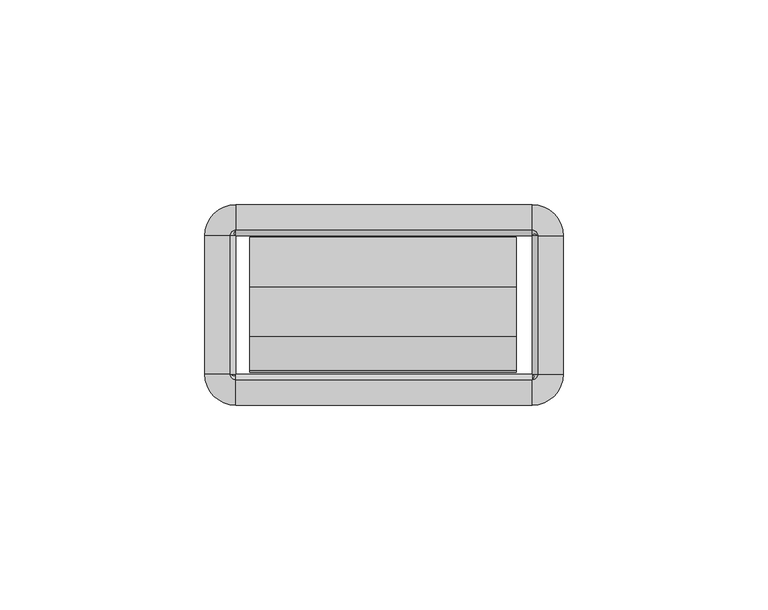
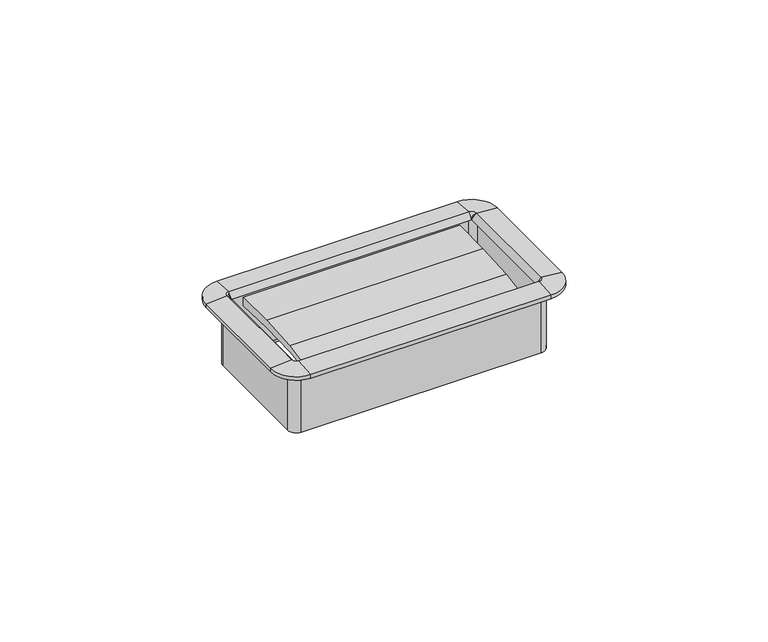
"""IFC4 building model written with IfcOpenShell, lengths in millimetres: furniture geometry."""

from ifc_helpers import new_model, si_unit, frame, origin, place, context, project, spatial, polyline, circle_curve, outline, extrude, source, transform, mapped, element, save
from ifc_brep_helpers import plane_surface, cylinder_surface, revolved_surface, advanced_brep


def furniture_af1e3ff0(model_context):
    return source(origin(), model_context, "Body", "SolidModel", [
        extrude(outline(polyline([(-27.4015977, 689.2213463), (-35.841251, 688.1577762), (-35.4230807, 689.5357243), (-27.1272776, 691.0747401), (-15.0207956, 691.8683076), (-2.8884162, 691.9134028), (-2.9633248, 689.1552515), (-15.1814712, 689.5542355), (-27.4015977, 689.2213463)])), frame((-32.8496732, 0.0, 0.0), z_axis=(1.0, 0.0, 0.0), x_axis=(0.0, 1.0, 0.0)), (0.0, 0.0, 1.0), 65.1763996),
        advanced_brep(
        [(37.8602578, -2.54, 692.15), (36.1704551, -0.8501974, 692.15), (36.1704551, -0.8501974, 673.3032), (37.8602578, -2.54, 673.3032), (37.5244377, -2.54, 693.8152454), (36.1704551, -1.1860174, 693.8152454), (36.1704551, -2.5172282, 692.15), (43.7913825, -2.54, 693.293), (36.1704551, 5.0809274, 693.293), (43.7913825, -2.54, 692.15), (36.1704551, 5.0809274, 692.15), (38.7104551, -2.54, 671.8299989), (36.1704551, 0.0, 671.8299989), (36.1704551, 0.0, 692.15), (38.7104551, -2.54, 692.15), (37.8602578, -36.2712, 673.3032), (37.8602578, -36.2712, 692.15), (36.1932269, -36.2712, 692.15), (37.5244377, -36.2712, 693.8152454), (43.7913825, -36.2712, 693.293), (43.7913825, -36.2712, 692.15), (38.7104551, -36.2712, 692.15), (38.7104551, -36.2712, 671.8299989), (36.1704551, -37.9610026, 692.15), (36.1704551, -37.9610026, 673.3032), (36.1704551, -37.6251826, 693.8152454), (36.1704551, -43.8921274, 693.293), (36.1704551, -43.8921274, 692.15), (36.1704551, -38.8112, 671.8299989), (36.1704551, -38.8112, 692.15), (-36.1687428, -37.9610026, 673.3032), (-36.1687428, -37.9610026, 692.15), (-36.1687428, -36.2939718, 692.15), (-36.1687428, -37.6251826, 693.8152454), (-36.1687428, -43.8921274, 693.293), (-36.1687428, -43.8921274, 692.15), (-36.1687428, -38.8112, 692.15), (-36.1687428, -38.8112, 671.8299989), (-37.8585455, -36.2712, 692.15), (-37.8585455, -36.2712, 673.3032), (-37.5227254, -36.2712, 693.8152454), (-43.7896702, -36.2712, 693.293), (-43.7896702, -36.2712, 692.15), (-38.7087428, -36.2712, 671.8299989), (-38.7087428, -36.2712, 692.15), (-37.8585455, -2.54, 673.3032), (-37.8585455, -2.54, 692.15), (-36.1915146, -2.54, 692.15), (-37.5227254, -2.54, 693.8152454), (-43.7896702, -2.54, 693.293), (-43.7896702, -2.54, 692.15), (-38.7087428, -2.54, 692.15), (-38.7087428, -2.54, 671.8299989), (-36.1687428, -0.8501974, 692.15), (-36.1687428, -0.8501974, 673.3032), (-36.1687428, -1.1860174, 693.8152454), (-36.1687428, 5.0809274, 693.293), (-36.1687428, 5.0809274, 692.15), (-36.1687428, 0.0, 671.8299989), (-36.1687428, 0.0, 692.15), (38.6519521, -2.54, 673.3032), (36.1704551, -0.058503, 673.3032), (38.6519521, -36.2712, 673.3032), (36.1704551, -38.752697, 673.3032), (-36.1687428, -38.752697, 673.3032), (-38.6502398, -36.2712, 673.3032), (-38.6502398, -2.54, 673.3032), (-36.1687428, -0.058503, 673.3032)],
        [
            (0, 1, circle_curve(frame((36.1704551, -2.54, 692.15), z_axis=(0.0, 0.0, 1.0), x_axis=(0.0, 1.0, 0.0)), 1.6898026)),
            (1, 2),
            (2, 3, circle_curve(frame((36.1704551, -2.54, 673.3032), z_axis=(0.0, 0.0, -1.0), x_axis=(0.0, 1.0, 0.0)), 1.6898026)),
            (3, 0),
            (4, 5, circle_curve(frame((36.1704551, -2.54, 693.8152454), z_axis=(0.0, 0.0, 1.0), x_axis=(0.0, 1.0, 0.0)), 1.3539826)),
            (5, 6),
            (6, 4),
            (7, 8, circle_curve(frame((36.1704551, -2.54, 693.293), z_axis=(0.0, 0.0, 1.0), x_axis=(0.0, 1.0, 0.0)), 7.6209274)),
            (8, 5),
            (4, 7),
            (9, 10, circle_curve(frame((36.1704551, -2.54, 692.15), z_axis=(0.0, 0.0, 1.0), x_axis=(0.0, 1.0, 0.0)), 7.6209274)),
            (10, 8),
            (7, 9),
            (11, 12, circle_curve(frame((36.1704551, -2.54, 671.8299989), z_axis=(0.0, 0.0, 1.0), x_axis=(0.0, 1.0, 0.0)), 2.54)),
            (12, 13),
            (13, 14, circle_curve(frame((36.1704551, -2.54, 692.15), z_axis=(0.0, 0.0, -1.0), x_axis=(0.0, 1.0, 0.0)), 2.54)),
            (14, 11),
            (3, 15),
            (15, 16),
            (16, 0),
            (6, 17),
            (17, 18),
            (18, 4),
            (18, 19),
            (19, 7),
            (19, 20),
            (20, 9),
            (14, 21),
            (21, 22),
            (22, 11),
            (23, 16, circle_curve(frame((36.1704551, -36.2712, 692.15), z_axis=(0.0, 0.0, 1.0), x_axis=(1.0, 0.0, 0.0)), 1.6898026)),
            (15, 24, circle_curve(frame((36.1704551, -36.2712, 673.3032), z_axis=(0.0, 0.0, -1.0), x_axis=(1.0, 0.0, 0.0)), 1.6898026)),
            (24, 23),
            (25, 18, circle_curve(frame((36.1704551, -36.2712, 693.8152454), z_axis=(0.0, 0.0, 1.0), x_axis=(1.0, 0.0, 0.0)), 1.3539826)),
            (17, 25),
            (26, 19, circle_curve(frame((36.1704551, -36.2712, 693.293), z_axis=(0.0, 0.0, 1.0), x_axis=(1.0, 0.0, 0.0)), 7.6209274)),
            (25, 26),
            (27, 20, circle_curve(frame((36.1704551, -36.2712, 692.15), z_axis=(0.0, 0.0, 1.0), x_axis=(1.0, 0.0, 0.0)), 7.6209274)),
            (26, 27),
            (28, 22, circle_curve(frame((36.1704551, -36.2712, 671.8299989), z_axis=(0.0, 0.0, 1.0), x_axis=(1.0, 0.0, 0.0)), 2.54)),
            (21, 29, circle_curve(frame((36.1704551, -36.2712, 692.15), z_axis=(0.0, 0.0, -1.0), x_axis=(1.0, 0.0, 0.0)), 2.54)),
            (29, 28),
            (24, 30),
            (30, 31),
            (31, 23),
            (17, 32),
            (32, 33),
            (33, 25),
            (33, 34),
            (34, 26),
            (34, 35),
            (35, 27),
            (29, 36),
            (36, 37),
            (37, 28),
            (38, 31, circle_curve(frame((-36.1687428, -36.2712, 692.15), z_axis=(0.0, 0.0, 1.0), x_axis=(0.0, -1.0, 0.0)), 1.6898026)),
            (30, 39, circle_curve(frame((-36.1687428, -36.2712, 673.3032), z_axis=(0.0, 0.0, -1.0), x_axis=(0.0, -1.0, 0.0)), 1.6898026)),
            (39, 38),
            (40, 33, circle_curve(frame((-36.1687428, -36.2712, 693.8152454), z_axis=(0.0, 0.0, 1.0), x_axis=(0.0, -1.0, 0.0)), 1.3539826)),
            (32, 40),
            (41, 34, circle_curve(frame((-36.1687428, -36.2712, 693.293), z_axis=(0.0, 0.0, 1.0), x_axis=(0.0, -1.0, 0.0)), 7.6209274)),
            (40, 41),
            (42, 35, circle_curve(frame((-36.1687428, -36.2712, 692.15), z_axis=(0.0, 0.0, 1.0), x_axis=(0.0, -1.0, 0.0)), 7.6209274)),
            (41, 42),
            (43, 37, circle_curve(frame((-36.1687428, -36.2712, 671.8299989), z_axis=(0.0, 0.0, 1.0), x_axis=(0.0, -1.0, 0.0)), 2.54)),
            (36, 44, circle_curve(frame((-36.1687428, -36.2712, 692.15), z_axis=(0.0, 0.0, -1.0), x_axis=(0.0, -1.0, 0.0)), 2.54)),
            (44, 43),
            (39, 45),
            (45, 46),
            (46, 38),
            (32, 47),
            (47, 48),
            (48, 40),
            (48, 49),
            (49, 41),
            (49, 50),
            (50, 42),
            (44, 51),
            (51, 52),
            (52, 43),
            (53, 46, circle_curve(frame((-36.1687428, -2.54, 692.15), z_axis=(0.0, 0.0, 1.0), x_axis=(-1.0, 0.0, 0.0)), 1.6898026)),
            (45, 54, circle_curve(frame((-36.1687428, -2.54, 673.3032), z_axis=(0.0, 0.0, -1.0), x_axis=(-1.0, 0.0, 0.0)), 1.6898026)),
            (54, 53),
            (55, 48, circle_curve(frame((-36.1687428, -2.54, 693.8152454), z_axis=(0.0, 0.0, 1.0), x_axis=(-1.0, 0.0, 0.0)), 1.3539826)),
            (47, 55),
            (56, 49, circle_curve(frame((-36.1687428, -2.54, 693.293), z_axis=(0.0, 0.0, 1.0), x_axis=(-1.0, 0.0, 0.0)), 7.6209274)),
            (55, 56),
            (57, 50, circle_curve(frame((-36.1687428, -2.54, 692.15), z_axis=(0.0, 0.0, 1.0), x_axis=(-1.0, 0.0, 0.0)), 7.6209274)),
            (56, 57),
            (58, 52, circle_curve(frame((-36.1687428, -2.54, 671.8299989), z_axis=(0.0, 0.0, 1.0), x_axis=(-1.0, 0.0, 0.0)), 2.54)),
            (51, 59, circle_curve(frame((-36.1687428, -2.54, 692.15), z_axis=(0.0, 0.0, -1.0), x_axis=(-1.0, 0.0, 0.0)), 2.54)),
            (59, 58),
            (54, 2),
            (1, 53),
            (6, 47),
            (5, 55),
            (8, 56),
            (10, 57),
            (13, 59),
            (12, 58),
            (60, 61, circle_curve(frame((36.1704551, -2.54, 673.3032), z_axis=(0.0, 0.0, 1.0), x_axis=(0.0, 1.0, 0.0)), 2.481497)),
            (61, 12),
            (11, 60),
            (22, 62),
            (62, 60),
            (63, 62, circle_curve(frame((36.1704551, -36.2712, 673.3032), z_axis=(0.0, 0.0, 1.0), x_axis=(1.0, 0.0, 0.0)), 2.481497)),
            (28, 63),
            (37, 64),
            (64, 63),
            (65, 64, circle_curve(frame((-36.1687428, -36.2712, 673.3032), z_axis=(0.0, 0.0, 1.0), x_axis=(0.0, -1.0, 0.0)), 2.481497)),
            (43, 65),
            (52, 66),
            (66, 65),
            (67, 66, circle_curve(frame((-36.1687428, -2.54, 673.3032), z_axis=(0.0, 0.0, 1.0), x_axis=(-1.0, 0.0, 0.0)), 2.481497)),
            (58, 67),
            (61, 67),
        ],
        [
            revolved_surface(polyline([(36.1704551, -0.8501974000000001, 673.3032), (36.1704551, -0.8501974000000001, 692.15)]), (36.1704551, -2.54, 692.15), (0.0, 0.0, -1.0)),
            revolved_surface(polyline([(36.1704551, -2.5172282, 692.15), (36.1704551, -1.1860174, 693.8152454)]), (36.1704551, -2.54, 692.15), (0.0, 0.0, -1.0)),
            revolved_surface(polyline([(36.1704551, -1.1860174, 693.8152454), (36.1704551, 5.0809274, 693.293)]), (36.1704551, -2.54, 692.15), (0.0, 0.0, -1.0)),
            cylinder_surface(frame((36.1704551, -2.54, 692.15), z_axis=(0.0, 0.0, -1.0), x_axis=(0.0, 1.0, 0.0)), 7.6209274),
            cylinder_surface(frame((36.1704551, -2.54, 692.15), z_axis=(0.0, 0.0, -1.0), x_axis=(0.0, 1.0, 0.0)), 2.54),
            plane_surface(frame((37.8602578, -2.54, 673.3032), z_axis=(-1.0, 0.0, 0.0), x_axis=(0.0, -1.0, 0.0))),
            plane_surface(frame((36.1932269, -2.54, 692.15), z_axis=(-0.7810942622858547, 0.0, 0.6244131272035499), x_axis=(0.0, -1.0, 0.0))),
            plane_surface(frame((37.5244377, -2.54, 693.8152454), z_axis=(0.08304548081379862, 0.0, 0.9965457581648749), x_axis=(0.0, -1.0, 0.0))),
            plane_surface(frame((43.7913825, -2.54, 693.293), z_axis=(1.0, 0.0, 0.0), x_axis=(0.0, -1.0, 0.0))),
            plane_surface(frame((38.7104551, -2.54, 692.15), z_axis=(1.0, 0.0, 0.0), x_axis=(0.0, -1.0, 0.0))),
            revolved_surface(polyline([(37.8602577, -36.2712, 673.3032), (37.8602577, -36.2712, 692.15)]), (36.1704551, -36.2712, 692.15), (0.0, 0.0, -1.0)),
            revolved_surface(polyline([(36.1932269, -36.2712, 692.15), (37.5244377, -36.2712, 693.8152454)]), (36.1704551, -36.2712, 692.15), (0.0, 0.0, -1.0)),
            revolved_surface(polyline([(37.5244377, -36.2712, 693.8152454), (43.7913825, -36.2712, 693.293)]), (36.1704551, -36.2712, 692.15), (0.0, 0.0, -1.0)),
            cylinder_surface(frame((36.1704551, -36.2712, 692.15), z_axis=(0.0, 0.0, -1.0), x_axis=(1.0, 0.0, 0.0)), 7.6209274),
            cylinder_surface(frame((36.1704551, -36.2712, 692.15), z_axis=(0.0, 0.0, -1.0), x_axis=(1.0, 0.0, 0.0)), 2.54),
            plane_surface(frame((36.1704551, -37.9610026, 673.3032), z_axis=(0.0, 1.0, 0.0), x_axis=(-1.0, 0.0, 0.0))),
            plane_surface(frame((36.1704551, -36.2939718, 692.15), z_axis=(0.0, 0.7810942622858565, 0.6244131272035475), x_axis=(-1.0, 0.0, 0.0))),
            plane_surface(frame((36.1704551, -37.6251826, 693.8152454), z_axis=(0.0, -0.08304548081379555, 0.9965457581648751), x_axis=(-1.0, 0.0, 0.0))),
            plane_surface(frame((36.1704551, -43.8921274, 693.293), z_axis=(0.0, -1.0, 0.0), x_axis=(-1.0, 0.0, 0.0))),
            plane_surface(frame((36.1704551, -38.8112, 692.15), z_axis=(0.0, -1.0, 0.0), x_axis=(-1.0, 0.0, 0.0))),
            revolved_surface(polyline([(-36.1687428, -37.9610026, 673.3032), (-36.1687428, -37.9610026, 692.15)]), (-36.1687428, -36.2712, 692.15), (0.0, 0.0, -1.0)),
            revolved_surface(polyline([(-36.1687428, -36.2939718, 692.15), (-36.1687428, -37.6251826, 693.8152454)]), (-36.1687428, -36.2712, 692.15), (0.0, 0.0, -1.0)),
            revolved_surface(polyline([(-36.1687428, -37.6251826, 693.8152454), (-36.1687428, -43.8921274, 693.293)]), (-36.1687428, -36.2712, 692.15), (0.0, 0.0, -1.0)),
            cylinder_surface(frame((-36.1687428, -36.2712, 692.15), z_axis=(0.0, 0.0, -1.0), x_axis=(0.0, -1.0, 0.0)), 7.6209274),
            cylinder_surface(frame((-36.1687428, -36.2712, 692.15), z_axis=(0.0, 0.0, -1.0), x_axis=(0.0, -1.0, 0.0)), 2.54),
            plane_surface(frame((-37.8585455, -36.2712, 673.3032), z_axis=(1.0, 0.0, 0.0), x_axis=(0.0, 1.0, 0.0))),
            plane_surface(frame((-36.1915146, -36.2712, 692.15), z_axis=(0.7810942622858585, 0.0, 0.6244131272035451), x_axis=(0.0, 1.0, 0.0))),
            plane_surface(frame((-37.5227254, -36.2712, 693.8152454), z_axis=(-0.08304548081379248, 0.0, 0.9965457581648753), x_axis=(0.0, 1.0, 0.0))),
            plane_surface(frame((-43.7896702, -36.2712, 693.293), z_axis=(-1.0, 0.0, 0.0), x_axis=(0.0, 1.0, 0.0))),
            plane_surface(frame((-38.7087428, -36.2712, 692.15), z_axis=(-1.0, 0.0, 0.0), x_axis=(0.0, 1.0, 0.0))),
            revolved_surface(polyline([(-37.8585454, -2.54, 673.3032), (-37.8585454, -2.54, 692.15)]), (-36.1687428, -2.54, 692.15), (0.0, 0.0, -1.0)),
            revolved_surface(polyline([(-36.1915146, -2.54, 692.15), (-37.5227254, -2.54, 693.8152454)]), (-36.1687428, -2.54, 692.15), (0.0, 0.0, -1.0)),
            revolved_surface(polyline([(-37.5227254, -2.54, 693.8152454), (-43.7896702, -2.54, 693.293)]), (-36.1687428, -2.54, 692.15), (0.0, 0.0, -1.0)),
            cylinder_surface(frame((-36.1687428, -2.54, 692.15), z_axis=(0.0, 0.0, -1.0), x_axis=(-1.0, 0.0, 0.0)), 7.6209274),
            cylinder_surface(frame((-36.1687428, -2.54, 692.15), z_axis=(0.0, 0.0, -1.0), x_axis=(-1.0, 0.0, 0.0)), 2.54),
            plane_surface(frame((-36.1687428, -0.8501974, 673.3032), z_axis=(0.0, -1.0, 0.0), x_axis=(1.0, 0.0, 0.0))),
            plane_surface(frame((-36.1687428, -0.8501974, 692.15), z_axis=(0.0, 0.0, -1.0), x_axis=(1.0, 0.0, 0.0))),
            plane_surface(frame((-36.1687428, -2.5172282, 692.15), z_axis=(0.0, -0.7810942622858567, 0.6244131272035476), x_axis=(1.0, 0.0, 0.0))),
            plane_surface(frame((-36.1687428, -1.1860174, 693.8152454), z_axis=(0.0, 0.08304548081379555, 0.9965457581648751), x_axis=(1.0, 0.0, 0.0))),
            plane_surface(frame((-36.1687428, 5.0809274, 693.293), z_axis=(0.0, 1.0, 0.0), x_axis=(1.0, 0.0, 0.0))),
            plane_surface(frame((-36.1687428, 5.0809274, 692.15), z_axis=(0.0, 0.0, -1.0), x_axis=(1.0, 0.0, 0.0))),
            plane_surface(frame((-36.1687428, 0.0, 692.15), z_axis=(0.0, 1.0, 0.0), x_axis=(1.0, 0.0, 0.0))),
            revolved_surface(polyline([(36.1704551, 0.0, 671.8299989), (36.1704551, -0.058503, 673.3032)]), (36.1704551, -2.54, 692.15), (0.0, 0.0, -1.0)),
            plane_surface(frame((38.7104551, -2.54, 671.8299989), z_axis=(-0.9992124303949471, 0.0, -0.03968020847000604), x_axis=(0.0, -1.0, 0.0))),
            revolved_surface(polyline([(38.7104551, -36.2712, 671.8299989), (38.6519521, -36.2712, 673.3032)]), (36.1704551, -36.2712, 692.15), (0.0, 0.0, -1.0)),
            plane_surface(frame((36.1704551, -38.8112, 671.8299989), z_axis=(0.0, 0.999212430394947, -0.039680208470009116), x_axis=(-1.0, 0.0, 0.0))),
            revolved_surface(polyline([(-36.1687428, -38.8112, 671.8299989), (-36.1687428, -38.752697, 673.3032)]), (-36.1687428, -36.2712, 692.15), (0.0, 0.0, -1.0)),
            plane_surface(frame((-38.7087428, -36.2712, 671.8299989), z_axis=(0.9992124303949469, 0.0, -0.03968020847001219), x_axis=(0.0, 1.0, 0.0))),
            revolved_surface(polyline([(-38.7087428, -2.54, 671.8299989), (-38.6502398, -2.54, 673.3032)]), (-36.1687428, -2.54, 692.15), (0.0, 0.0, -1.0)),
            plane_surface(frame((-36.1687428, 0.0, 671.8299989), z_axis=(0.0, -0.999212430394947, -0.039680208470009116), x_axis=(1.0, 0.0, 0.0))),
            plane_surface(frame((-36.1687428, -0.058503, 673.3032), z_axis=(0.0, 0.0, -1.0), x_axis=(1.0, 0.0, 0.0))),
        ],
        [
            (0, [[1, 2, 3, 4]]),
            (1, [[5, 6, 7]]),
            (2, [[8, 9, -5, 10]]),
            (3, [[11, 12, -8, 13]]),
            (4, [[14, 15, 16, 17]]),
            (5, [[-4, 18, 19, 20]]),
            (6, [[-7, 21, 22, 23]]),
            (7, [[-10, -23, 24, 25]]),
            (8, [[-13, -25, 26, 27]]),
            (9, [[-17, 28, 29, 30]]),
            (10, [[31, -19, 32, 33]]),
            (11, [[34, -22, 35]]),
            (12, [[36, -24, -34, 37]]),
            (13, [[38, -26, -36, 39]]),
            (14, [[40, -29, 41, 42]]),
            (15, [[-33, 43, 44, 45]]),
            (16, [[-35, 46, 47, 48]]),
            (17, [[-37, -48, 49, 50]]),
            (18, [[-39, -50, 51, 52]]),
            (19, [[-42, 53, 54, 55]]),
            (20, [[56, -44, 57, 58]]),
            (21, [[59, -47, 60]]),
            (22, [[61, -49, -59, 62]]),
            (23, [[63, -51, -61, 64]]),
            (24, [[65, -54, 66, 67]]),
            (25, [[-58, 68, 69, 70]]),
            (26, [[-60, 71, 72, 73]]),
            (27, [[-62, -73, 74, 75]]),
            (28, [[-64, -75, 76, 77]]),
            (29, [[-67, 78, 79, 80]]),
            (30, [[81, -69, 82, 83]]),
            (31, [[84, -72, 85]]),
            (32, [[86, -74, -84, 87]]),
            (33, [[88, -76, -86, 89]]),
            (34, [[90, -79, 91, 92]]),
            (35, [[-83, 93, -2, 94]]),
            (36, [[-70, -81, -94, -1, -20, -31, -45, -56], [95, -71, -46, -21]]),
            (37, [[-85, -95, -6, 96]]),
            (38, [[-87, -96, -9, 97]]),
            (39, [[-89, -97, -12, 98]]),
            (40, [[-77, -88, -98, -11, -27, -38, -52, -63], [99, -91, -78, -66, -53, -41, -28, -16]]),
            (41, [[-92, -99, -15, 100]]),
            (42, [[101, 102, -14, 103]]),
            (43, [[-103, -30, 104, 105]]),
            (44, [[106, -104, -40, 107]]),
            (45, [[-107, -55, 108, 109]]),
            (46, [[110, -108, -65, 111]]),
            (47, [[-111, -80, 112, 113]]),
            (48, [[114, -112, -90, 115]]),
            (49, [[-115, -100, -102, 116]]),
            (50, [[-113, -114, -116, -101, -105, -106, -109, -110], [-93, -82, -68, -57, -43, -32, -18, -3]]),
        ],
    ),
    ])


if __name__ == "__main__":
    model = new_model("IFC4")
    model_context = context("Model", 3, world=origin())
    ifc_project = project(units=[si_unit("LENGTHUNIT", "METRE", prefix="MILLI")], contexts=[model_context])
    site = spatial("IfcSite", under=ifc_project)
    building = spatial("IfcBuilding", under=site)
    placement = place(None, origin())
    furniture_shape = furniture_af1e3ff0(model_context)
    element("IfcFurniture", 1, at=placement, inside=building, context=model_context, shape_type="MappedRepresentation", body=[
        mapped(furniture_shape, transform((0.0, 0.0, 0.0), x_axis=(1.0, 0.0, 0.0), y_axis=(0.0, 1.0, 0.0), z_axis=(0.0, 0.0, 1.0))),
    ])
    save(model, "model.ifc")
